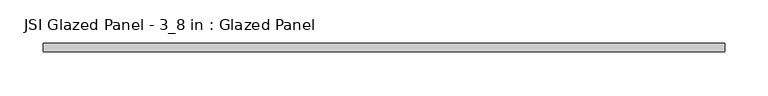
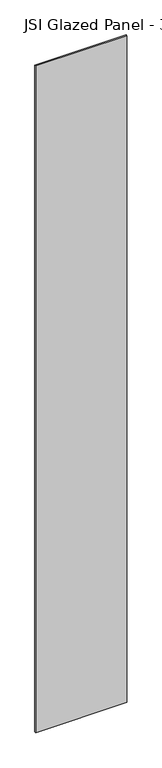
"""IFC4 building model written with IfcOpenShell, lengths in millimetres: plate geometry, JSI Glazed Panel - 3_8 in : Glazed Panel."""

from ifc_helpers import new_model, si_unit, origin, origin_with_axes, place, context, project, spatial, polyline, outline, extrude, source, transform, mapped, element, save


def jsi_glazed_panel_3_8_in_glazed_panel_63c69042(model_context):
    return source(origin(), model_context, "Body", "SweptSolid", [
        extrude(outline(polyline([(393.7, -4.7625), (-393.7, -4.7625), (-393.7, 4.7625), (393.7, 4.7625), (393.7, -4.7625)])), origin_with_axes(), (0.0, 0.0, 1.0), 6096.0),
    ])


if __name__ == "__main__":
    model = new_model("IFC4")
    model_context = context("Model", 3, world=origin())
    ifc_project = project(units=[si_unit("LENGTHUNIT", "METRE", prefix="MILLI")], contexts=[model_context])
    site = spatial("IfcSite", under=ifc_project)
    building = spatial("IfcBuilding", under=site)
    placement = place(None, origin())
    jsi_glazed_panel_3_8_in_glazed_panel_shape = jsi_glazed_panel_3_8_in_glazed_panel_63c69042(model_context)
    element("IfcPlate", 1, ObjectType="JSI Glazed Panel - 3_8 in : Glazed Panel", at=placement, inside=building, context=model_context, shape_type="MappedRepresentation", body=[
        mapped(jsi_glazed_panel_3_8_in_glazed_panel_shape, transform((0.0, 0.0, 0.0), x_axis=(1.0, 0.0, 0.0), y_axis=(0.0, 1.0, 0.0), z_axis=(0.0, 0.0, 1.0))),
    ])
    save(model, "model.ifc")
